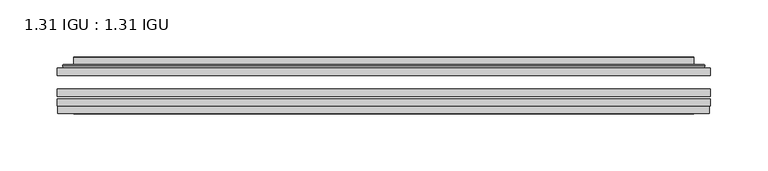
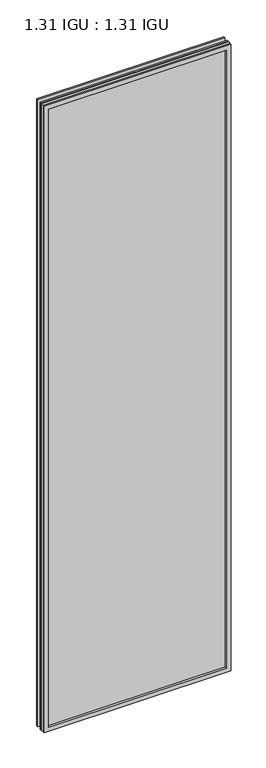
"""IFC4 building model written with IfcOpenShell, lengths in millimetres: plate geometry, 1.31 IGU : 1.31 IGU."""

from ifc_helpers import new_model, si_unit, frame, origin, place, context, project, spatial, polyline, ellipse_curve, outline, extrude, faceted_brep, source, transform, mapped, element, save
from ifc_brep_helpers import plane_surface, cylinder_surface, advanced_brep


def plate_1_31_igu_1_31_igu_b75165ad(model_context):
    return source(origin(), model_context, "Body", "SolidModel", [
        extrude(outline(polyline([(285.764175, -63.59525), (285.764175, -69.94525), (-285.75, -69.94525), (-285.75, -63.59525), (285.764175, -63.59525)])), frame((0.0, 0.0, -14.2875), z_axis=(0.0, 0.0, 1.0), x_axis=(1.0, 0.0, 0.0)), (0.0, 0.0, 1.0), 2022.4787979),
        extrude(outline(polyline([(-285.75, -78.58125), (-285.75, -72.230745), (285.764175, -72.230745), (285.764175, -78.58125), (-285.75, -78.58125)])), frame((0.0, 0.0, -14.2875), z_axis=(0.0, 0.0, 1.0), x_axis=(1.0, 0.0, 0.0)), (0.0, 0.0, 1.0), 2022.4787979),
        extrude(outline(polyline([(285.764175, -45.25645), (285.764175, -51.60645), (-285.75, -51.60645), (-285.75, -45.25645), (285.764175, -45.25645)])), frame((0.0, 0.0, -14.2875), z_axis=(0.0, 0.0, 1.0), x_axis=(1.0, 0.0, 0.0)), (0.0, 0.0, 1.0), 2022.4787979),
        faceted_brep([(-285.0498142, -84.93125, 2007.4873142), (-285.0498142, -78.58125, 2007.4873142), (-285.0498142, -78.58125, -13.5873142), (-285.0498142, -84.93125, -13.5873142), (285.0498142, -78.58125, -13.5873142), (285.0498142, -84.93125, -13.5873142), (285.0498142, -78.58125, 2007.4873142), (285.0498142, -84.93125, 2007.4873142), (-270.5647559, -78.58125, 0.8977441), (270.5647559, -78.58125, 0.8977441), (270.5647559, -78.58125, 1993.0022559), (-270.5647559, -78.58125, 1993.0022559), (-271.4571902, -84.93125, 1993.8946902), (271.4571902, -84.93125, 1993.8946902), (271.4571902, -84.93125, 0.0053098), (-271.4571902, -84.93125, 0.0053098)], [[[0, 1, 2, 3]], [[3, 2, 4, 5]], [[5, 4, 6, 7]], [[1, 6, 4, 2], [8, 9, 10, 11]], [[7, 6, 1, 0]], [[3, 5, 7, 0], [12, 13, 14, 15]], [[11, 12, 15, 8]], [[8, 15, 14, 9]], [[9, 14, 13, 10]], [[10, 13, 12, 11]]]),
        advanced_brep(
        [(-278.508719, -45.25645, 2000.946219), (-280.8629244, -43.2667833, 2003.3004244), (-280.8629244, -43.2667833, -9.4004244), (-278.508719, -45.25645, -7.046219), (-269.4343939, -41.416413, 1991.8718939), (-264.4995621, -45.25645, 1986.9370621), (-264.4995621, -45.25645, 6.9629379), (-269.4343939, -41.416413, 2.0281061), (-270.4664217, -36.0191819, 1992.9039217), (-270.4664217, -36.0191819, 0.9960783), (-271.4570784, -35.6202069, 1993.8945784), (-271.4570784, -35.6202069, 0.0054216), (-271.4570784, -42.08145, 1993.8945784), (-271.4570784, -42.08145, 0.0054216), (-279.8611349, -42.08145, 2002.2986349), (-279.8611349, -42.08145, -8.3986349), (280.8629244, -43.2667833, -9.4004244), (278.508719, -45.25645, -7.046219), (264.4995621, -45.25645, 6.9629379), (269.4343939, -41.416413, 2.0281061), (270.4664217, -36.0191819, 0.9960783), (271.4570784, -35.6202069, 0.0054216), (271.4570784, -42.08145, 0.0054216), (279.8611349, -42.08145, -8.3986349), (280.8629244, -43.2667833, 2003.3004244), (278.508719, -45.25645, 2000.946219), (264.4995621, -45.25645, 1986.9370621), (269.4343939, -41.416413, 1991.8718939), (270.4664217, -36.0191819, 1992.9039217), (271.4570784, -35.6202069, 1993.8945784), (271.4570784, -42.08145, 1993.8945784), (279.8611349, -42.08145, 2002.2986349)],
        [
            (0, 1, ellipse_curve(frame((-278.508719, -42.86885, 2000.946219), z_axis=(-0.7071067811865475, 0.0, -0.7071067811865475), x_axis=(-0.7071067811865474, 0.0, 0.7071067811865476)), 3.3765763, 2.3876)),
            (1, 2),
            (2, 3, ellipse_curve(frame((-278.508719, -42.86885, -7.046219), z_axis=(-0.7071067811865475, 0.0, 0.7071067811865475), x_axis=(0.7071067811865474, 0.0, 0.7071067811865476)), 3.3765763, 2.3876)),
            (3, 0),
            (4, 5),
            (5, 6),
            (6, 7),
            (7, 4),
            (8, 4),
            (7, 9),
            (9, 8),
            (10, 8, ellipse_curve(frame((-271.0901219, -36.1384423, 1993.5276219), z_axis=(-0.7071067811865475, 0.0, -0.7071067811865475), x_axis=(-0.7071067811865474, 0.0, 0.7071067811865476)), 0.8980256, 0.635)),
            (9, 11, ellipse_curve(frame((-271.0901219, -36.1384423, 0.3723781), z_axis=(-0.7071067811865475, 0.0, 0.7071067811865475), x_axis=(0.7071067811865474, 0.0, 0.7071067811865476)), 0.8980256, 0.635)),
            (11, 10),
            (12, 10),
            (11, 13),
            (13, 12),
            (1, 14, ellipse_curve(frame((-279.8611349, -43.09745, 2002.2986349), z_axis=(-0.7071067811865475, 0.0, -0.7071067811865475), x_axis=(-0.7071067811865474, 0.0, 0.7071067811865476)), 1.436841, 1.016)),
            (14, 15),
            (15, 2, ellipse_curve(frame((-279.8611349, -43.09745, -8.3986349), z_axis=(-0.7071067811865475, 0.0, 0.7071067811865475), x_axis=(0.7071067811865474, 0.0, 0.7071067811865476)), 1.436841, 1.016)),
            (2, 16),
            (16, 17, ellipse_curve(frame((278.508719, -42.86885, -7.046219), z_axis=(-0.7071067811865475, 0.0, -0.7071067811865475), x_axis=(-0.7071067811865476, 0.0, 0.7071067811865474)), 3.3765763, 2.3876)),
            (17, 3),
            (6, 18),
            (18, 19),
            (19, 7),
            (19, 20),
            (20, 9),
            (20, 21, ellipse_curve(frame((271.0901219, -36.1384423, 0.3723781), z_axis=(-0.7071067811865475, 0.0, -0.7071067811865475), x_axis=(-0.7071067811865476, 0.0, 0.7071067811865474)), 0.8980256, 0.635)),
            (21, 11),
            (21, 22),
            (22, 13),
            (15, 23),
            (23, 16, ellipse_curve(frame((279.8611349, -43.09745, -8.3986349), z_axis=(-0.7071067811865475, 0.0, -0.7071067811865475), x_axis=(-0.7071067811865476, 0.0, 0.7071067811865474)), 1.436841, 1.016)),
            (16, 24),
            (24, 25, ellipse_curve(frame((278.508719, -42.86885, 2000.946219), z_axis=(0.7071067811865475, 0.0, -0.7071067811865475), x_axis=(-0.7071067811865474, 0.0, -0.7071067811865476)), 3.3765763, 2.3876)),
            (25, 17),
            (18, 26),
            (26, 27),
            (27, 19),
            (27, 28),
            (28, 20),
            (28, 29, ellipse_curve(frame((271.0901219, -36.1384423, 1993.5276219), z_axis=(0.7071067811865475, 0.0, -0.7071067811865475), x_axis=(-0.7071067811865474, 0.0, -0.7071067811865476)), 0.8980256, 0.635)),
            (29, 21),
            (29, 30),
            (30, 22),
            (23, 31),
            (31, 24, ellipse_curve(frame((279.8611349, -43.09745, 2002.2986349), z_axis=(0.7071067811865475, 0.0, -0.7071067811865475), x_axis=(-0.7071067811865474, 0.0, -0.7071067811865476)), 1.436841, 1.016)),
            (24, 1),
            (0, 25),
            (5, 26),
            (4, 27),
            (8, 28),
            (10, 29),
            (12, 30),
            (14, 31),
        ],
        [
            cylinder_surface(frame((-278.508719, -42.86885, 2025.65), z_axis=(0.0, 0.0, 1.0), x_axis=(-1.0, 0.0, 0.0)), 2.3876),
            plane_surface(frame((-264.4995621, -45.25645, 1986.9370621), z_axis=(0.6141233906514794, 0.7892100234124821, 0.0), x_axis=(0.0, 0.0, -1.0))),
            plane_surface(frame((-269.4343939, -41.416413, 1991.8718939), z_axis=(0.9822050625507729, 0.18781164793386074, 0.0), x_axis=(0.0, 0.0, -1.0))),
            cylinder_surface(frame((-271.0901219, -36.1384423, 2025.65), z_axis=(0.0, 0.0, 1.0), x_axis=(-1.0, 0.0, 0.0)), 0.635),
            plane_surface(frame((-271.4570784, -35.6202069, 1993.8945784), z_axis=(-1.0, 0.0, 0.0), x_axis=(0.0, 0.0, -1.0))),
            cylinder_surface(frame((-279.8611349, -43.09745, 2025.65), z_axis=(0.0, 0.0, 1.0), x_axis=(-1.0, 0.0, 0.0)), 1.016),
            cylinder_surface(frame((-303.2125, -42.86885, -7.046219), z_axis=(-1.0, 0.0, 0.0), x_axis=(0.0, 0.0, -1.0)), 2.3876),
            plane_surface(frame((-264.4995621, -45.25645, 6.9629379), z_axis=(0.0, 0.7892100234124841, 0.6141233906514768), x_axis=(1.0, 0.0, 0.0))),
            plane_surface(frame((-269.4343939, -41.416413, 2.0281061), z_axis=(0.0, 0.18781164793386393, 0.9822050625507723), x_axis=(1.0, 0.0, 0.0))),
            cylinder_surface(frame((-303.2125, -36.1384423, 0.3723781), z_axis=(-1.0, 0.0, 0.0), x_axis=(0.0, 0.0, -1.0)), 0.635),
            plane_surface(frame((-271.4570784, -35.6202069, 0.0054216), z_axis=(0.0, 0.0, -1.0), x_axis=(1.0, 0.0, 0.0))),
            cylinder_surface(frame((-303.2125, -43.09745, -8.3986349), z_axis=(-1.0, 0.0, 0.0), x_axis=(0.0, 0.0, -1.0)), 1.016),
            cylinder_surface(frame((278.508719, -42.86885, -31.75), z_axis=(0.0, 0.0, -1.0), x_axis=(1.0, 0.0, 0.0)), 2.3876),
            plane_surface(frame((264.4995621, -45.25645, 6.9629379), z_axis=(-0.6141233906514743, 0.7892100234124861, 0.0), x_axis=(0.0, 0.0, 1.0))),
            plane_surface(frame((269.4343939, -41.416413, 2.0281061), z_axis=(-0.9822050625507718, 0.18781164793386712, 0.0), x_axis=(0.0, 0.0, 1.0))),
            cylinder_surface(frame((271.0901219, -36.1384423, -31.75), z_axis=(0.0, 0.0, -1.0), x_axis=(1.0, 0.0, 0.0)), 0.635),
            plane_surface(frame((271.4570784, -35.6202069, 0.0054216), z_axis=(1.0, 0.0, 0.0), x_axis=(0.0, 0.0, 1.0))),
            cylinder_surface(frame((279.8611349, -43.09745, -31.75), z_axis=(0.0, 0.0, -1.0), x_axis=(1.0, 0.0, 0.0)), 1.016),
            cylinder_surface(frame((303.2125, -42.86885, 2000.946219), z_axis=(1.0, 0.0, 0.0), x_axis=(0.0, 0.0, 1.0)), 2.3876),
            plane_surface(frame((278.508719, -45.25645, 2000.946219), z_axis=(0.0, -1.0, 0.0), x_axis=(-1.0, 0.0, 0.0))),
            plane_surface(frame((264.4995621, -45.25645, 1986.9370621), z_axis=(0.0, 0.7892100234124841, -0.6141233906514768), x_axis=(-1.0, 0.0, 0.0))),
            plane_surface(frame((269.4343939, -41.416413, 1991.8718939), z_axis=(0.0, 0.18781164793386393, -0.9822050625507723), x_axis=(-1.0, 0.0, 0.0))),
            cylinder_surface(frame((303.2125, -36.1384423, 1993.5276219), z_axis=(1.0, 0.0, 0.0), x_axis=(0.0, 0.0, 1.0)), 0.635),
            plane_surface(frame((271.4570784, -35.6202069, 1993.8945784), z_axis=(0.0, 0.0, 1.0), x_axis=(-1.0, 0.0, 0.0))),
            plane_surface(frame((271.4570784, -42.08145, 1993.8945784), z_axis=(0.0, 1.0, 0.0), x_axis=(-1.0, 0.0, 0.0))),
            cylinder_surface(frame((303.2125, -43.09745, 2002.2986349), z_axis=(1.0, 0.0, 0.0), x_axis=(0.0, 0.0, 1.0)), 1.016),
        ],
        [
            (0, [[1, 2, 3, 4]]),
            (1, [[5, 6, 7, 8]]),
            (2, [[9, -8, 10, 11]]),
            (3, [[12, -11, 13, 14]]),
            (4, [[15, -14, 16, 17]]),
            (5, [[18, 19, 20, -2]]),
            (6, [[-3, 21, 22, 23]]),
            (7, [[-7, 24, 25, 26]]),
            (8, [[-10, -26, 27, 28]]),
            (9, [[-13, -28, 29, 30]]),
            (10, [[-16, -30, 31, 32]]),
            (11, [[-20, 33, 34, -21]]),
            (12, [[-22, 35, 36, 37]]),
            (13, [[-25, 38, 39, 40]]),
            (14, [[-27, -40, 41, 42]]),
            (15, [[-29, -42, 43, 44]]),
            (16, [[-31, -44, 45, 46]]),
            (17, [[-34, 47, 48, -35]]),
            (18, [[-36, 49, -1, 50]]),
            (19, [[-23, -37, -50, -4], [51, -38, -24, -6]]),
            (20, [[-39, -51, -5, 52]]),
            (21, [[-41, -52, -9, 53]]),
            (22, [[-43, -53, -12, 54]]),
            (23, [[-45, -54, -15, 55]]),
            (24, [[56, -47, -33, -19], [-32, -46, -55, -17]]),
            (25, [[-48, -56, -18, -49]]),
        ],
    ),
    ])


if __name__ == "__main__":
    model = new_model("IFC4")
    model_context = context("Model", 3, world=origin())
    ifc_project = project(units=[si_unit("LENGTHUNIT", "METRE", prefix="MILLI")], contexts=[model_context])
    site = spatial("IfcSite", under=ifc_project)
    building = spatial("IfcBuilding", under=site)
    placement = place(None, origin())
    plate_1_31_igu_1_31_igu_shape = plate_1_31_igu_1_31_igu_b75165ad(model_context)
    element("IfcPlate", 1, ObjectType="1.31 IGU : 1.31 IGU", at=placement, inside=building, context=model_context, shape_type="MappedRepresentation", body=[
        mapped(plate_1_31_igu_1_31_igu_shape, transform((0.0, 0.0, 0.0), x_axis=(1.0, 0.0, 0.0), y_axis=(0.0, 1.0, 0.0), z_axis=(0.0, 0.0, 1.0))),
    ])
    save(model, "model.ifc")
